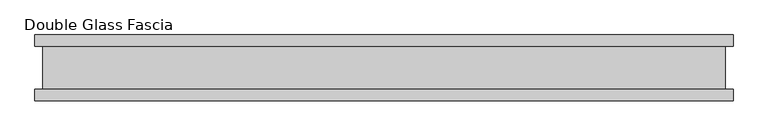
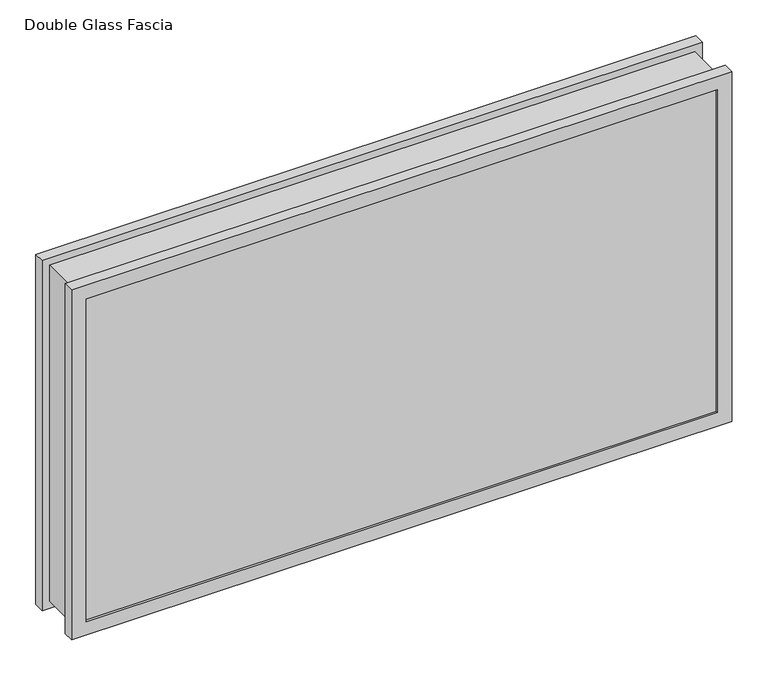
"""IFC4 building model written with IfcOpenShell, lengths in millimetres: proxy geometry, Double Glass Fascia."""

from ifc_helpers import new_model, si_unit, frame, origin, place, context, project, spatial, polyline, outline, extrude, faceted_brep, source, transform, mapped, element, save


def double_glass_fascia_b57347da(model_context):
    return source(origin(), model_context, "Body", "SolidModel", [
        faceted_brep([(519.6640848, 32.4352299, 587.375885), (519.6640848, -32.4352299, 587.375885), (519.6640848, -32.4352299, 15.0359151), (519.6640848, 32.4352299, 15.0359151), (-519.6640848, -32.4352299, 15.0359151), (-519.6640848, 32.4352299, 15.0359151), (-519.6640848, -32.4352299, 587.375885), (-519.6640848, 32.4352299, 587.375885), (508.4871999, -38.8962152, 576.1990001), (508.4871999, 38.8962152, 576.1990001), (508.4871999, 38.8962152, 26.2128), (508.4871999, -38.8962152, 26.2128), (525.2218392, -47.1322551, 592.9336393), (525.2218392, -38.8962152, 592.9336393), (525.2218392, -38.8962152, 9.4781608), (525.2218392, -47.1322551, 9.4781608), (508.3093999, -50.0558594, 576.0212001), (508.3093999, -47.1322551, 576.0212001), (508.3093999, -47.1322551, 26.3906), (508.3093999, -50.0558594, 26.3906), (531.5249999, -32.4352299, 599.2368001), (531.5249999, -50.0558594, 599.2368001), (531.5249999, -50.0558594, 3.175), (531.5249999, -32.4352299, 3.175), (-508.4871999, 38.8962152, 26.2128), (-508.4871999, -38.8962152, 26.2128), (-525.2218392, -38.8962152, 9.4781608), (-525.2218392, -47.1322551, 9.4781608), (-508.3093999, -47.1322551, 26.3906), (-508.3093999, -50.0558594, 26.3906), (-531.5249999, -50.0558594, 3.175), (-531.5249999, -32.4352299, 3.175), (-508.4871999, 38.8962152, 576.1990001), (-508.4871999, -38.8962152, 576.1990001), (-525.2218392, -38.8962152, 592.9336393), (-525.2218392, -47.1322551, 592.9336393), (-508.3093999, -47.1322551, 576.0212001), (-508.3093999, -50.0558594, 576.0212001), (-531.5249999, -50.0558594, 599.2368001), (-531.5249999, -32.4352299, 599.2368001), (531.5249999, 50.0558594, 599.2368001), (531.5249999, 32.4352299, 599.2368001), (531.5249999, 32.4352299, 3.175), (531.5249999, 50.0558594, 3.175), (508.4871999, 47.1322551, 576.1990001), (508.4871999, 50.0558594, 576.1990001), (508.4871999, 50.0558594, 26.2128), (508.4871999, 47.1322551, 26.2128), (525.2218392, 38.8962152, 592.9336393), (525.2218392, 47.1322551, 592.9336393), (525.2218392, 47.1322551, 9.4781608), (525.2218392, 38.8962152, 9.4781608), (-531.5249999, 32.4352299, 3.175), (-531.5249999, 50.0558594, 3.175), (-508.4871999, 50.0558594, 26.2128), (-508.4871999, 47.1322551, 26.2128), (-525.2218392, 47.1322551, 9.4781608), (-525.2218392, 38.8962152, 9.4781608), (-531.5249999, 32.4352299, 599.2368001), (-531.5249999, 50.0558594, 599.2368001), (-508.4871999, 50.0558594, 576.1990001), (-508.4871999, 47.1322551, 576.1990001), (-525.2218392, 47.1322551, 592.9336393), (-525.2218392, 38.8962152, 592.9336393)], [[[0, 1, 2, 3]], [[3, 2, 4, 5]], [[5, 4, 6, 7]], [[7, 6, 1, 0]], [[8, 9, 10, 11]], [[12, 13, 14, 15]], [[16, 17, 18, 19]], [[20, 21, 22, 23]], [[11, 10, 24, 25]], [[15, 14, 26, 27]], [[19, 18, 28, 29]], [[23, 22, 30, 31]], [[25, 24, 32, 33]], [[27, 26, 34, 35]], [[29, 28, 36, 37]], [[31, 30, 38, 39]], [[33, 32, 9, 8]], [[13, 34, 26, 14], [11, 25, 33, 8]], [[35, 34, 13, 12]], [[15, 27, 35, 12], [17, 36, 28, 18]], [[37, 36, 17, 16]], [[21, 38, 30, 22], [19, 29, 37, 16]], [[39, 38, 21, 20]], [[23, 31, 39, 20], [1, 6, 4, 2]], [[40, 41, 42, 43]], [[44, 45, 46, 47]], [[48, 49, 50, 51]], [[43, 42, 52, 53]], [[47, 46, 54, 55]], [[51, 50, 56, 57]], [[53, 52, 58, 59]], [[55, 54, 60, 61]], [[57, 56, 62, 63]], [[41, 58, 52, 42], [3, 5, 7, 0]], [[59, 58, 41, 40]], [[43, 53, 59, 40], [45, 60, 54, 46]], [[61, 60, 45, 44]], [[49, 62, 56, 50], [47, 55, 61, 44]], [[63, 62, 49, 48]], [[51, 57, 63, 48], [9, 32, 24, 10]]]),
        extrude(outline(polyline([(520.7, -40.9277344), (520.7, -46.8808594), (-520.7, -46.8808594), (-520.7, -40.9277344), (520.7, -40.9277344)])), frame((0.0, 0.0, 5.3275263), z_axis=(0.0, 0.0, 1.0), x_axis=(1.0, 0.0, 0.0)), (0.0, 0.0, 1.0), 591.2627281),
        extrude(outline(polyline([(520.7, 41.1791301), (-520.7, 41.1791301), (-520.7, 47.1322551), (520.7, 47.1322551), (520.7, 41.1791301)])), frame((0.0, 0.0, 5.3275263), z_axis=(0.0, 0.0, 1.0), x_axis=(1.0, 0.0, 0.0)), (0.0, 0.0, 1.0), 591.2627281),
    ])


if __name__ == "__main__":
    model = new_model("IFC4")
    model_context = context("Model", 3, world=origin())
    ifc_project = project(units=[si_unit("LENGTHUNIT", "METRE", prefix="MILLI")], contexts=[model_context])
    site = spatial("IfcSite", under=ifc_project)
    building = spatial("IfcBuilding", under=site)
    placement = place(None, origin())
    double_glass_fascia_shape = double_glass_fascia_b57347da(model_context)
    element("IfcBuildingElementProxy", 1, Name="Double Glass Fascia", ObjectType="Double Glass Fascia", at=placement, inside=building, context=model_context, shape_type="MappedRepresentation", body=[
        mapped(double_glass_fascia_shape, transform((0.0, 0.0, 0.0), x_axis=(1.0, 0.0, 0.0), y_axis=(0.0, 1.0, 0.0), z_axis=(0.0, 0.0, 1.0))),
    ])
    save(model, "model.ifc")
